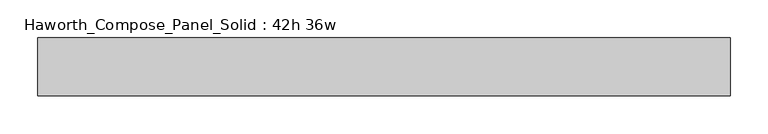
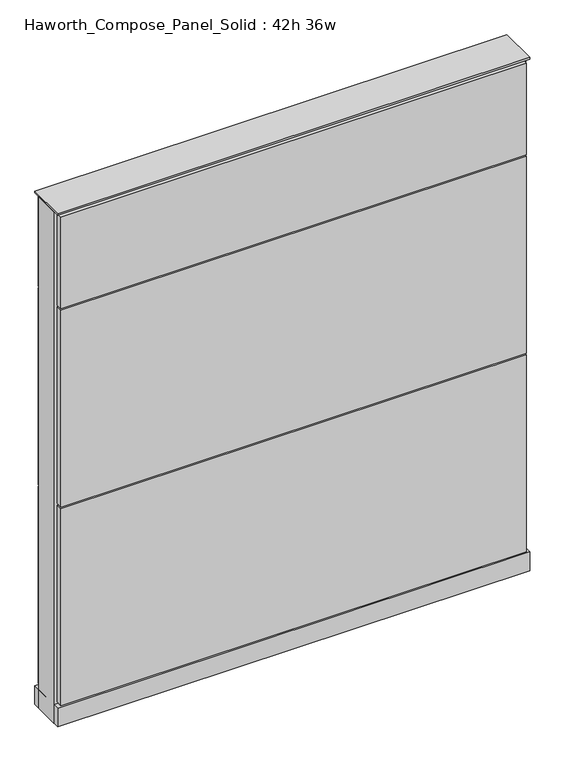
"""IFC4 building model written with IfcOpenShell, lengths in millimetres: furniture geometry, Haworth_Compose_Panel_Solid : 42h 36w."""

from ifc_helpers import new_model, si_unit, point, frame, frame_2d, origin, origin_with_axes, place, context, project, spatial, polyline, circle_curve, trimmed, segment, composite_curve, outline, extrude, source, transform, mapped, element, save


def haworth_compose_panel_solid_42h_36w_9eda0836(model_context):
    return source(origin(), model_context, "Body", "SweptSolid", [
        extrude(outline(composite_curve([segment(trimmed(circle_curve(frame_2d((-378.5597098, 0.0)), 12.7), [point((-391.2597098, 0.0))], [point((-365.8597098, 0.0))], False, "CARTESIAN"), True, "CONTINUOUS"), segment(trimmed(circle_curve(frame_2d((-378.5597098, 0.0)), 12.7), [point((-365.8597098, 0.0))], [point((-391.2597098, 0.0))], False, "CARTESIAN"), True, "CONTINUOUS")], self_intersect=False)), origin_with_axes(), (0.0, 0.0, 1.0), 12.7),
        extrude(outline(composite_curve([segment(trimmed(circle_curve(frame_2d((383.4402902, 0.0)), 12.7), [point((370.7402902, 0.0))], [point((396.1402902, 0.0))], False, "CARTESIAN"), True, "CONTINUOUS"), segment(trimmed(circle_curve(frame_2d((383.4402902, 0.0)), 12.7), [point((396.1402902, 0.0))], [point((370.7402902, 0.0))], False, "CARTESIAN"), True, "CONTINUOUS")], self_intersect=False)), origin_with_axes(), (0.0, 0.0, 1.0), 12.7),
        extrude(outline(polyline([(453.2902902, 38.1), (453.2902902, 25.4), (-448.4097098, 25.4), (-448.4097098, 38.1), (453.2902902, 38.1)])), frame((0.0, 0.0, 866.775), z_axis=(0.0, 0.0, 1.0), x_axis=(1.0, 0.0, 0.0)), (0.0, 0.0, 1.0), 187.325),
        extrude(outline(polyline([(453.2902902, 38.1), (453.2902902, 25.4), (-448.4097098, 25.4), (-448.4097098, 38.1), (453.2902902, 38.1)])), frame((0.0, 0.0, 460.375), z_axis=(0.0, 0.0, 1.0), x_axis=(1.0, 0.0, 0.0)), (0.0, 0.0, 1.0), 403.225),
        extrude(outline(polyline([(453.2902902, 38.1), (453.2902902, 25.4), (-448.4097098, 25.4), (-448.4097098, 38.1), (453.2902902, 38.1)])), frame((0.0, 0.0, 53.975), z_axis=(0.0, 0.0, 1.0), x_axis=(1.0, 0.0, 0.0)), (0.0, 0.0, 1.0), 403.225),
        extrude(outline(polyline([(453.2902902, -38.1), (-448.4097098, -38.1), (-448.4097098, -25.4), (453.2902902, -25.4), (453.2902902, -38.1)])), frame((0.0, 0.0, 866.775), z_axis=(0.0, 0.0, 1.0), x_axis=(1.0, 0.0, 0.0)), (0.0, 0.0, 1.0), 187.325),
        extrude(outline(polyline([(453.2902902, -38.1), (-448.4097098, -38.1), (-448.4097098, -25.4), (453.2902902, -25.4), (453.2902902, -38.1)])), frame((0.0, 0.0, 460.375), z_axis=(0.0, 0.0, 1.0), x_axis=(1.0, 0.0, 0.0)), (0.0, 0.0, 1.0), 403.225),
        extrude(outline(polyline([(453.2902902, -38.1), (-448.4097098, -38.1), (-448.4097098, -25.4), (453.2902902, -25.4), (453.2902902, -38.1)])), frame((0.0, 0.0, 53.975), z_axis=(0.0, 0.0, 1.0), x_axis=(1.0, 0.0, 0.0)), (0.0, 0.0, 1.0), 403.225),
        extrude(outline(polyline([(459.6402902, 25.4), (459.6402902, -25.4), (-454.7597098, -25.4), (-454.7597098, 25.4), (459.6402902, 25.4)])), frame((0.0, 0.0, 12.7), z_axis=(0.0, 0.0, 1.0), x_axis=(1.0, 0.0, 0.0)), (0.0, 0.0, 1.0), 1047.75),
        extrude(outline(polyline([(-454.7597098, -38.1), (-454.7597098, 38.1), (459.6402902, 38.1), (459.6402902, -38.1), (-454.7597098, -38.1)])), frame((0.0, 0.0, 12.7), z_axis=(0.0, 0.0, 1.0), x_axis=(1.0, 0.0, 0.0)), (0.0, 0.0, 1.0), 38.1),
        extrude(outline(polyline([(-454.7597098, -38.1), (-454.7597098, 38.1), (459.6402902, 38.1), (459.6402902, -38.1), (-454.7597098, -38.1)])), frame((0.0, 0.0, 1060.45), z_axis=(0.0, 0.0, 1.0), x_axis=(1.0, 0.0, 0.0)), (0.0, 0.0, 1.0), 3.175),
    ])


if __name__ == "__main__":
    model = new_model("IFC4")
    model_context = context("Model", 3, world=origin())
    ifc_project = project(units=[si_unit("LENGTHUNIT", "METRE", prefix="MILLI")], contexts=[model_context])
    site = spatial("IfcSite", under=ifc_project)
    building = spatial("IfcBuilding", under=site)
    placement = place(None, origin())
    haworth_compose_panel_solid_42h_36w_shape = haworth_compose_panel_solid_42h_36w_9eda0836(model_context)
    element("IfcFurniture", 1, ObjectType="Haworth_Compose_Panel_Solid : 42h 36w", at=placement, inside=building, context=model_context, shape_type="MappedRepresentation", body=[
        mapped(haworth_compose_panel_solid_42h_36w_shape, transform((0.0, 0.0, 0.0), x_axis=(1.0, 0.0, 0.0), y_axis=(0.0, 1.0, 0.0), z_axis=(0.0, 0.0, 1.0))),
    ])
    save(model, "model.ifc")
